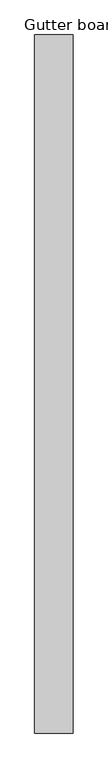
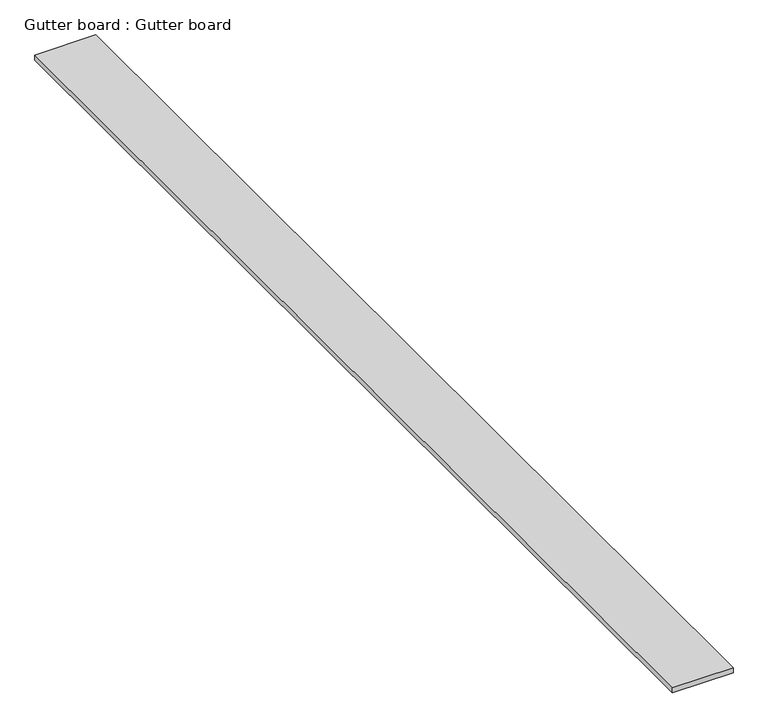
"""IFC4 building model written with IfcOpenShell, lengths in millimetres: proxy geometry, Gutter board : Gutter board."""

from ifc_helpers import new_model, si_unit, frame, origin, place, context, project, spatial, polyline, outline, extrude, source, transform, mapped, element, save


def gutter_board_gutter_board_c345ef59(model_context):
    return source(origin(), model_context, "Body", "SweptSolid", [
        extrude(outline(polyline([(-1161.2862215, -4546.9083503), (-1331.2862215, -4546.9083503), (-1331.2862215, -1456.9083503), (-1161.2862215, -1456.9083503), (-1161.2862215, -4546.9083503)])), frame((0.0, 0.0, 3784.2452806), z_axis=(0.0, 0.0, 1.0), x_axis=(1.0, 0.0, 0.0)), (0.0, 0.0, 1.0), 15.0),
    ])


if __name__ == "__main__":
    model = new_model("IFC4")
    model_context = context("Model", 3, world=origin())
    ifc_project = project(units=[si_unit("LENGTHUNIT", "METRE", prefix="MILLI")], contexts=[model_context])
    site = spatial("IfcSite", under=ifc_project)
    building = spatial("IfcBuilding", under=site)
    placement = place(None, origin())
    gutter_board_gutter_board_shape = gutter_board_gutter_board_c345ef59(model_context)
    element("IfcBuildingElementProxy", 1, Name="Gutter board : Gutter board", ObjectType="Gutter board : Gutter board", at=placement, inside=building, context=model_context, shape_type="MappedRepresentation", body=[
        mapped(gutter_board_gutter_board_shape, transform((0.0, 0.0, 0.0), x_axis=(1.0, 0.0, 0.0), y_axis=(0.0, 1.0, 0.0), z_axis=(0.0, 0.0, 1.0))),
    ])
    save(model, "model.ifc")
